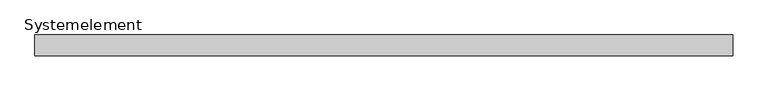
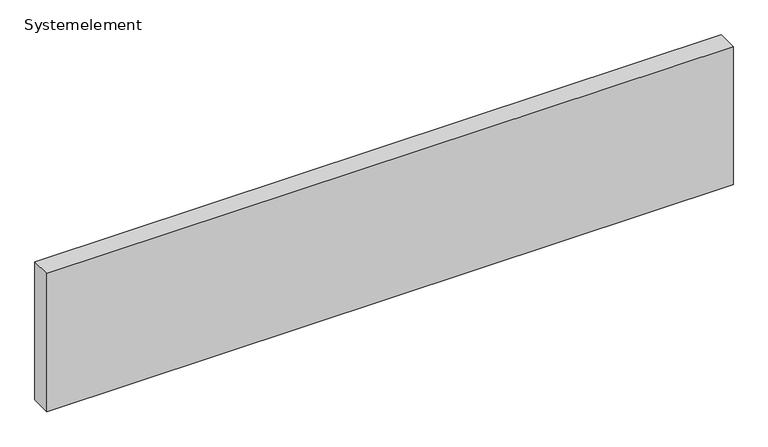
"""IFC4 building model written with IfcOpenShell, lengths in millimetres: plate geometry, Systemelement."""

from ifc_helpers import new_model, si_unit, origin, origin_with_axes, place, context, project, spatial, polyline, outline, extrude, source, transform, mapped, element, save


def systemelement_1281d85d(model_context):
    return source(origin(), model_context, "Body", "SweptSolid", [
        extrude(outline(polyline([(2000.0, -120.0), (-2000.0, -120.0), (-2000.0, 0.0), (2000.0, 0.0), (2000.0, -120.0)])), origin_with_axes(), (0.0, 0.0, 1.0), 851.6147161),
    ])


if __name__ == "__main__":
    model = new_model("IFC4")
    model_context = context("Model", 3, world=origin())
    ifc_project = project(units=[si_unit("LENGTHUNIT", "METRE", prefix="MILLI")], contexts=[model_context])
    site = spatial("IfcSite", under=ifc_project)
    building = spatial("IfcBuilding", under=site)
    placement = place(None, origin())
    systemelement_shape = systemelement_1281d85d(model_context)
    element("IfcPlate", 1, ObjectType="Systemelement", at=placement, inside=building, context=model_context, shape_type="MappedRepresentation", body=[
        mapped(systemelement_shape, transform((0.0, 0.0, 0.0), x_axis=(1.0, 0.0, 0.0), y_axis=(0.0, 1.0, 0.0), z_axis=(0.0, 0.0, 1.0))),
    ])
    save(model, "model.ifc")
